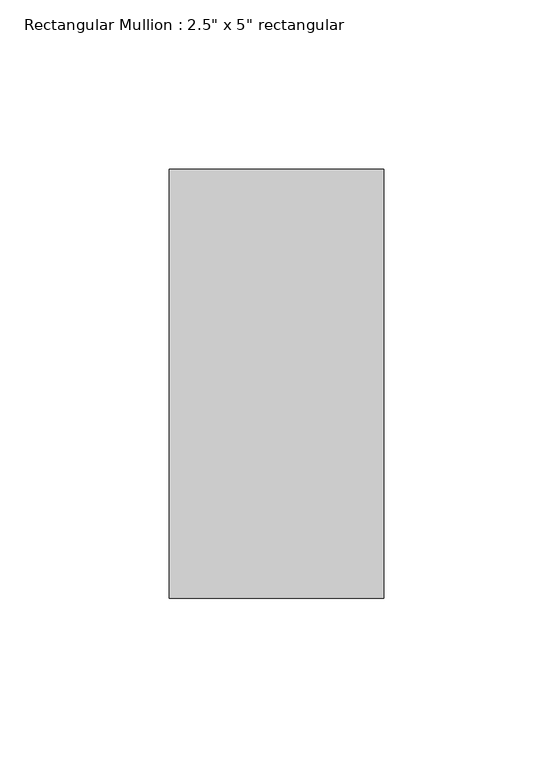
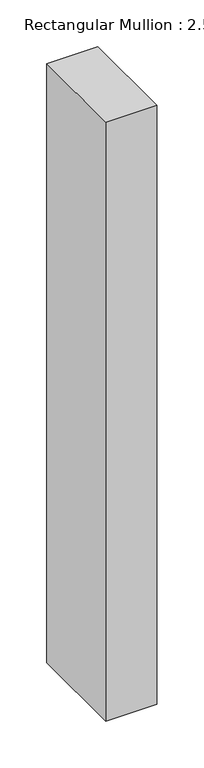
"""IFC4 building model written with IfcOpenShell, lengths in millimetres: member geometry."""

from ifc_helpers import new_model, si_unit, frame, origin, place, context, project, spatial, polyline, outline, extrude, source, transform, mapped, element, save


def member_7af53117(model_context):
    return source(origin(), model_context, "Body", "SweptSolid", [
        extrude(outline(polyline([(31.75, 63.5), (31.75, -63.5), (-31.75, -63.5), (-31.75, 63.5), (31.75, 63.5)])), frame((0.0, 0.0, -785.2517373), z_axis=(0.0, 0.0, 1.0), x_axis=(1.0, 0.0, 0.0)), (0.0, 0.0, 1.0), 785.2517373),
    ])


if __name__ == "__main__":
    model = new_model("IFC4")
    model_context = context("Model", 3, world=origin())
    ifc_project = project(units=[si_unit("LENGTHUNIT", "METRE", prefix="MILLI")], contexts=[model_context])
    site = spatial("IfcSite", under=ifc_project)
    building = spatial("IfcBuilding", under=site)
    placement = place(None, origin())
    member_shape = member_7af53117(model_context)
    element("IfcMember", 1, ObjectType="Rectangular Mullion : 2.5\" x 5\" rectangular", at=placement, inside=building, context=model_context, shape_type="MappedRepresentation", body=[
        mapped(member_shape, transform((0.0, 0.0, 0.0), x_axis=(1.0, 0.0, 0.0), y_axis=(0.0, 1.0, 0.0), z_axis=(0.0, 0.0, 1.0))),
    ])
    save(model, "model.ifc")
